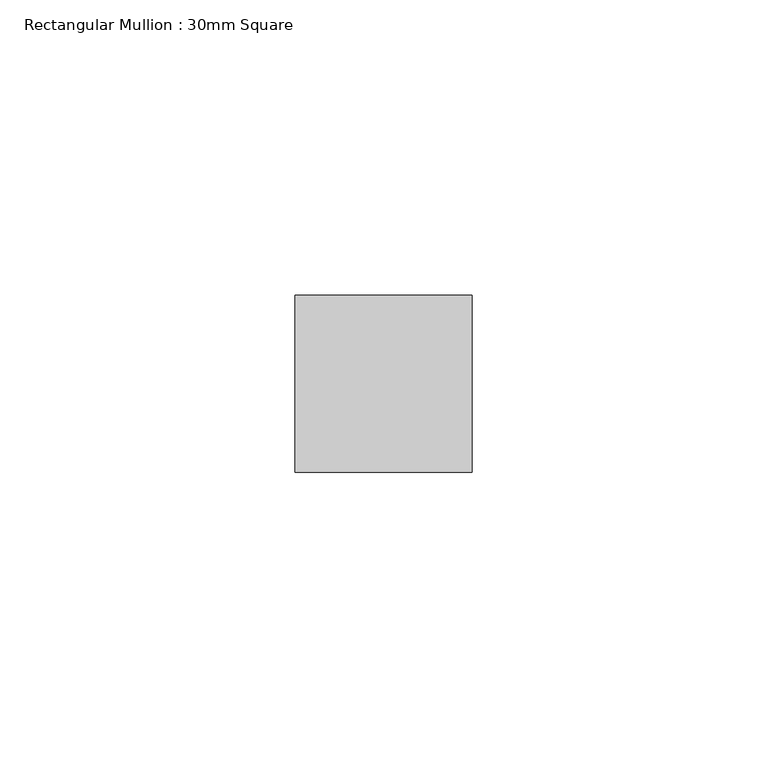
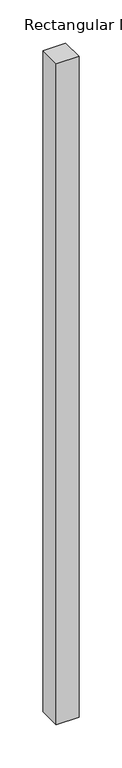
"""IFC4 building model written with IfcOpenShell, lengths in millimetres: member geometry, Rectangular Mullion : 30mm Square."""

from ifc_helpers import new_model, si_unit, frame, origin, place, context, project, spatial, polyline, outline, extrude, source, transform, mapped, element, save


def rectangular_mullion_30mm_square_523cb147(model_context):
    return source(origin(), model_context, "Body", "SweptSolid", [
        extrude(outline(polyline([(0.0, 15.0), (0.0, -15.0), (-30.0, -15.0), (-30.0, 15.0), (0.0, 15.0)])), frame((0.0, 0.0, -928.9565766), z_axis=(0.0, 0.0, 1.0), x_axis=(1.0, 0.0, 0.0)), (0.0, 0.0, 1.0), 928.9565766),
    ])


if __name__ == "__main__":
    model = new_model("IFC4")
    model_context = context("Model", 3, world=origin())
    ifc_project = project(units=[si_unit("LENGTHUNIT", "METRE", prefix="MILLI")], contexts=[model_context])
    site = spatial("IfcSite", under=ifc_project)
    building = spatial("IfcBuilding", under=site)
    placement = place(None, origin())
    rectangular_mullion_30mm_square_shape = rectangular_mullion_30mm_square_523cb147(model_context)
    element("IfcMember", 1, ObjectType="Rectangular Mullion : 30mm Square", at=placement, inside=building, context=model_context, shape_type="MappedRepresentation", body=[
        mapped(rectangular_mullion_30mm_square_shape, transform((0.0, 0.0, 0.0), x_axis=(1.0, 0.0, 0.0), y_axis=(0.0, 1.0, 0.0), z_axis=(0.0, 0.0, 1.0))),
    ])
    save(model, "model.ifc")
